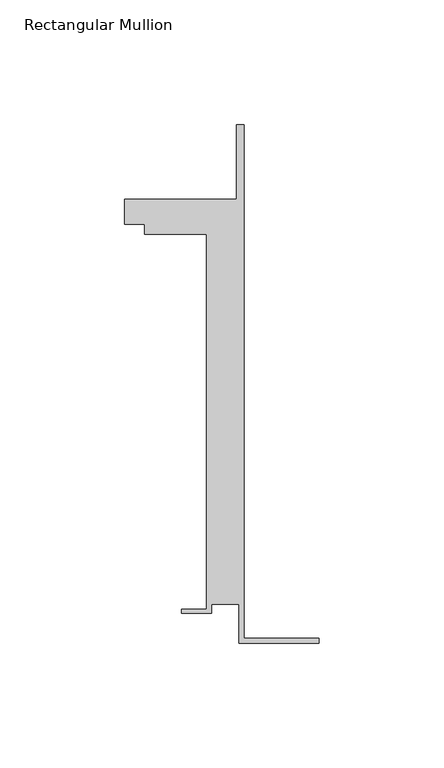
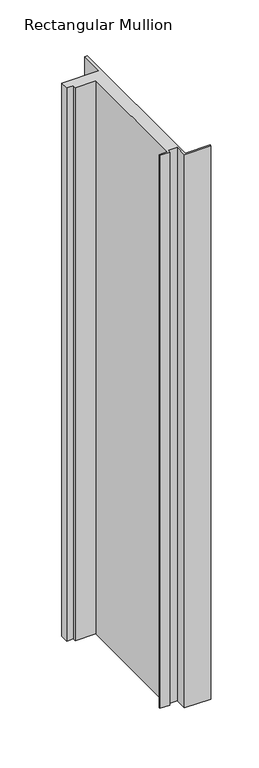
"""IFC4 building model written with IfcOpenShell, lengths in millimetres: member geometry, Rectangular Mullion."""

from ifc_helpers import new_model, si_unit, frame, origin, place, context, project, spatial, polyline, outline, extrude, source, transform, mapped, element, save


def rectangular_mullion_fa70b381(model_context):
    return source(origin(), model_context, "Body", "SweptSolid", [
        extrude(outline(polyline([(-32.1465839, -41.25), (-32.1465839, -25.75), (-43.1465839, -25.75), (-43.1465839, -29.25), (-55.1465839, -29.25), (-55.1465839, -27.75), (-45.1465839, -27.75), (-45.1465839, 122.75), (-70.1466122, 122.75), (-70.1466122, 126.75), (-78.1466122, 126.75), (-78.1466122, 136.75), (-33.1466122, 136.75), (-33.1466122, 166.75), (-30.1465839, 166.75), (-30.1465839, -39.25), (0.0, -39.25), (0.0, -41.25), (-32.1465839, -41.25)])), frame((0.0, 0.0, -709.6223392), z_axis=(0.0, 0.0, 1.0), x_axis=(1.0, 0.0, 0.0)), (0.0, 0.0, 1.0), 709.6223392),
    ])


if __name__ == "__main__":
    model = new_model("IFC4")
    model_context = context("Model", 3, world=origin())
    ifc_project = project(units=[si_unit("LENGTHUNIT", "METRE", prefix="MILLI")], contexts=[model_context])
    site = spatial("IfcSite", under=ifc_project)
    building = spatial("IfcBuilding", under=site)
    placement = place(None, origin())
    rectangular_mullion_shape = rectangular_mullion_fa70b381(model_context)
    element("IfcMember", 1, ObjectType="Rectangular Mullion", at=placement, inside=building, context=model_context, shape_type="MappedRepresentation", body=[
        mapped(rectangular_mullion_shape, transform((0.0, 0.0, 0.0), x_axis=(1.0, 0.0, 0.0), y_axis=(0.0, 1.0, 0.0), z_axis=(0.0, 0.0, 1.0))),
    ])
    save(model, "model.ifc")
